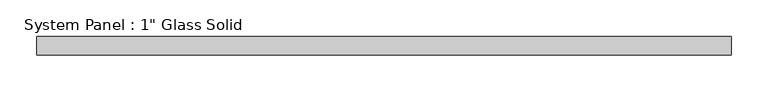
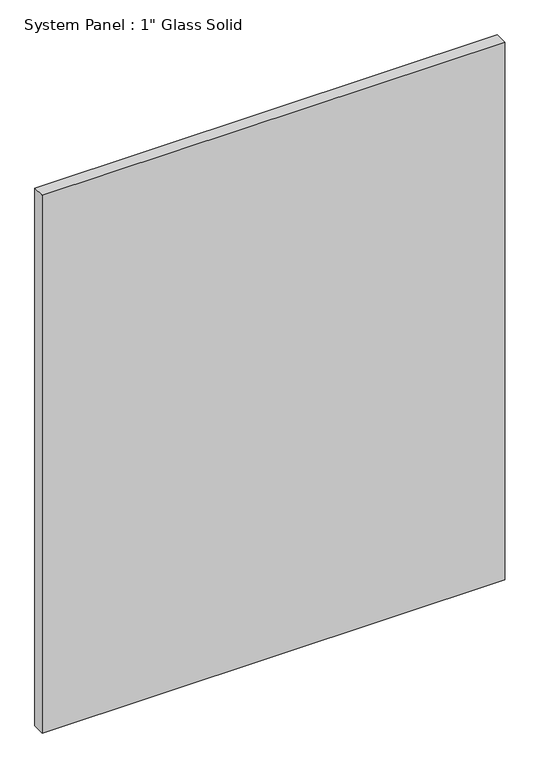
"""IFC4 building model written with IfcOpenShell, lengths in millimetres: plate geometry."""

from ifc_helpers import new_model, si_unit, origin, origin_with_axes, place, context, project, spatial, polyline, outline, extrude, source, transform, mapped, element, save


def plate_dae6919b(model_context):
    return source(origin(), model_context, "Body", "SweptSolid", [
        extrude(outline(polyline([(473.075, -12.7), (-473.075, -12.7), (-473.075, 12.7), (473.075, 12.7), (473.075, -12.7)])), origin_with_axes(), (0.0, 0.0, 1.0), 1163.2111731),
    ])


if __name__ == "__main__":
    model = new_model("IFC4")
    model_context = context("Model", 3, world=origin())
    ifc_project = project(units=[si_unit("LENGTHUNIT", "METRE", prefix="MILLI")], contexts=[model_context])
    site = spatial("IfcSite", under=ifc_project)
    building = spatial("IfcBuilding", under=site)
    placement = place(None, origin())
    plate_shape = plate_dae6919b(model_context)
    element("IfcPlate", 1, ObjectType="System Panel : 1\" Glass Solid", at=placement, inside=building, context=model_context, shape_type="MappedRepresentation", body=[
        mapped(plate_shape, transform((0.0, 0.0, 0.0), x_axis=(1.0, 0.0, 0.0), y_axis=(0.0, 1.0, 0.0), z_axis=(0.0, 0.0, 1.0))),
    ])
    save(model, "model.ifc")
